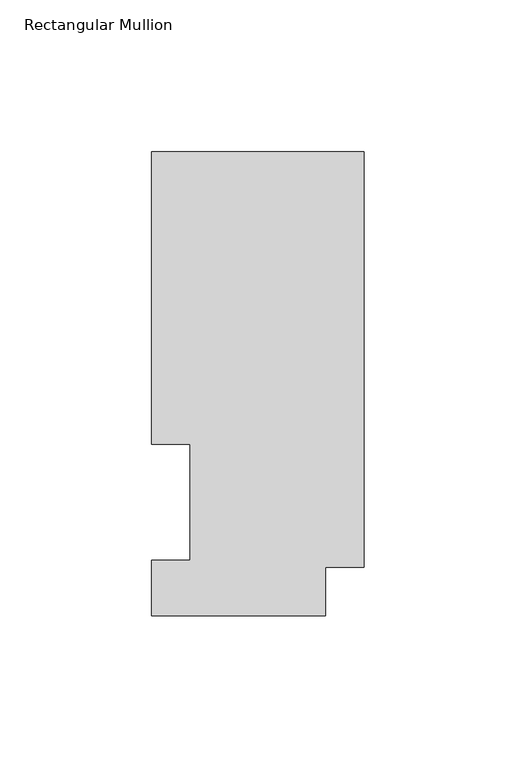
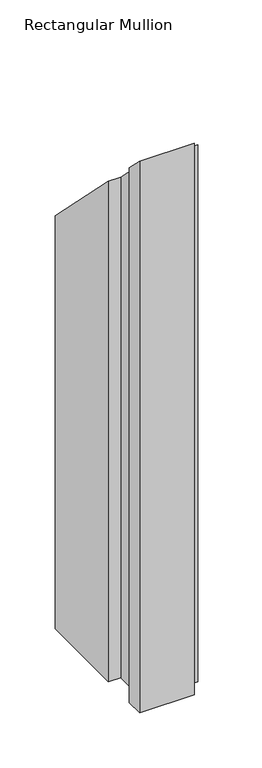
"""IFC4 building model written with IfcOpenShell, lengths in millimetres: member geometry, Rectangular Mullion."""

from ifc_helpers import new_model, si_unit, origin, place, context, project, spatial, faceted_brep, source, transform, mapped, element, save


def rectangular_mullion_fa066229(model_context):
    return source(origin(), model_context, "Body", "Brep", [
        faceted_brep([(-69.9516, 152.6475062, -609.56825), (0.0, 152.6475062, -609.56825), (0.0, 15.86865, -609.56825), (-12.8016, 15.86865, -609.56825), (-12.8016, -0.03175, -609.56825), (-69.9516, -0.03175, -609.56825), (-69.9516, 18.25625, -609.56825), (-57.2516, 18.25625, -609.56825), (-57.2516, 56.35625, -609.56825), (-69.9516, 56.35625, -609.56825), (-69.9516, 56.35625, -56.35625), (-69.9516, 152.6475062, -152.6475062), (-57.2516, 56.35625, -56.35625), (-57.2516, 18.25625, -18.25625), (-69.9516, 18.25625, -18.25625), (-69.9516, -0.03175, 0.03175), (-12.8016, -0.03175, 0.03175), (-12.8016, 15.86865, -15.86865), (0.0, 15.86865, -15.86865), (0.0, 152.6475062, -152.6475062)], [[[0, 1, 2, 3, 4, 5, 6, 7, 8, 9]], [[10, 11, 0, 9]], [[12, 10, 9, 8]], [[13, 12, 8, 7]], [[14, 13, 7, 6]], [[15, 14, 6, 5]], [[16, 15, 5, 4]], [[17, 16, 4, 3]], [[18, 17, 3, 2]], [[19, 18, 2, 1]], [[11, 19, 1, 0]], [[11, 10, 12, 13, 14, 15, 16, 17, 18, 19]]]),
    ])


if __name__ == "__main__":
    model = new_model("IFC4")
    model_context = context("Model", 3, world=origin())
    ifc_project = project(units=[si_unit("LENGTHUNIT", "METRE", prefix="MILLI")], contexts=[model_context])
    site = spatial("IfcSite", under=ifc_project)
    building = spatial("IfcBuilding", under=site)
    placement = place(None, origin())
    rectangular_mullion_shape = rectangular_mullion_fa066229(model_context)
    element("IfcMember", 1, ObjectType="Rectangular Mullion", at=placement, inside=building, context=model_context, shape_type="MappedRepresentation", body=[
        mapped(rectangular_mullion_shape, transform((0.0, 0.0, 0.0), x_axis=(1.0, 0.0, 0.0), y_axis=(0.0, 1.0, 0.0), z_axis=(0.0, 0.0, 1.0))),
    ])
    save(model, "model.ifc")
